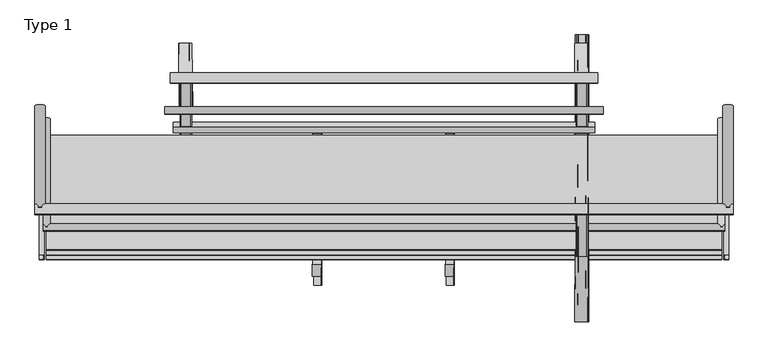
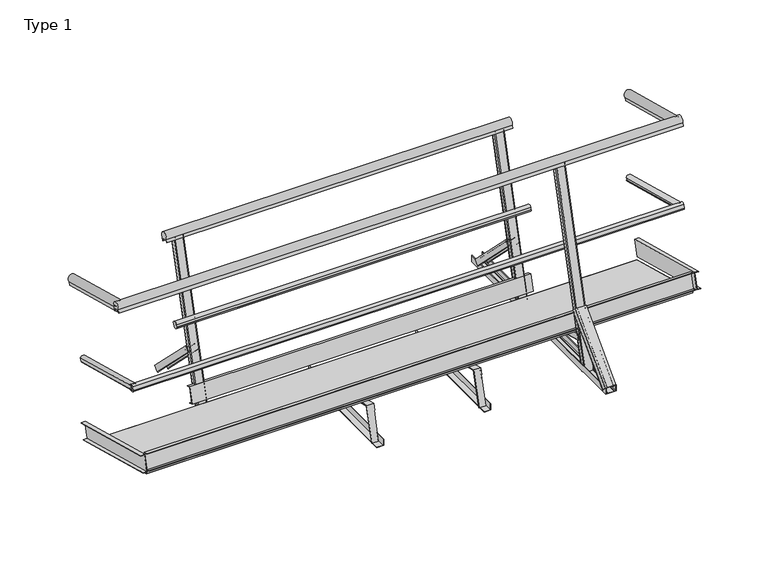
"""IFC4 building model written with IfcOpenShell, lengths in millimetres: proxy geometry, Type 1."""

from ifc_helpers import new_model, si_unit, point, frame, frame_2d, origin, place, context, project, spatial, polyline, circle_curve, ellipse_curve, trimmed, segment, composite_curve, outline, extrude, faceted_brep, source, transform, mapped, element, save
from ifc_brep_helpers import plane_surface, cylinder_surface, extruded_surface, advanced_brep


def type_1_c3b99982(model_context):
    return source(origin(), model_context, "Body", "SolidModel", [
        extrude(outline(composite_curve([segment(polyline([(7.3827269, -38.587505), (7.3827269, -34.587505), (-7.382727, -34.587505), (-7.382727, -38.587505)]), True, "CONTINUOUS"), segment(trimmed(circle_curve(frame_2d((0.0, -20.0)), 20.0), [point((-7.382727, -38.587505))], [point((-12.3740656, -4.287505))], False, "CARTESIAN"), True, "CONTINUOUS"), segment(polyline([(-12.3740656, -4.287505), (12.3740657, -4.287505)]), True, "CONTINUOUS"), segment(trimmed(circle_curve(frame_2d((0.0, -20.0)), 20.0), [point((12.3740657, -4.287505))], [point((7.3827269, -38.587505))], False, "CARTESIAN"), True, "CONTINUOUS")], self_intersect=False)), frame((3319.287505, 129.4547926, 531.6143161), z_axis=(0.0, -0.9659258262890705, 0.2588190451025124), x_axis=(0.0, -0.2588190451025124, -0.9659258262890705)), (0.0, 0.0, 1.0), 550.0),
        extrude(outline(composite_curve([segment(trimmed(circle_curve(frame_2d((0.0, -20.0)), 20.0), [point((-7.3827269, -38.587505))], [point((-12.3740657, -4.287505))], False, "CARTESIAN"), True, "CONTINUOUS"), segment(polyline([(-12.3740657, -4.287505), (12.3740656, -4.287505)]), True, "CONTINUOUS"), segment(trimmed(circle_curve(frame_2d((0.0, -20.0)), 20.0), [point((12.3740656, -4.287505))], [point((7.382727, -38.587505))], False, "CARTESIAN"), True, "CONTINUOUS"), segment(polyline([(7.382727, -38.587505), (7.382727, -34.587505), (-7.3827269, -34.587505), (-7.3827269, -38.587505)]), True, "CONTINUOUS")], self_intersect=False)), frame((-19.287505, 129.4547926, 531.6143161), z_axis=(0.0, -0.9659258262890705, 0.2588190451025124), x_axis=(0.0, 0.2588190451025124, 0.9659258262890705)), (0.0, 0.0, 1.0), 550.0),
        extrude(outline(composite_curve([segment(polyline([(-11.4353401, 0.0), (6.9999999, 0.0), (6.9999999, -1.0), (-8.0000001, -1.0), (-8.0000001, -41.0), (6.9999999, -41.0), (6.9999999, -42.0), (-11.4353401, -42.0)]), True, "CONTINUOUS"), segment(trimmed(circle_curve(frame_2d((-25.0, -21.0)), 25.0), [point((-11.4353401, -42.0))], [point((-11.4353401, 0.0))], False, "CARTESIAN"), True, "CONTINUOUS")], self_intersect=False)), frame((3351.0, 186.5217212, 994.620874), z_axis=(0.0, -0.9659258262890705, 0.2588190451025124), x_axis=(0.0, -0.2588190451025124, -0.9659258262890705)), (0.0, 0.0, 1.0), 520.0),
        extrude(outline(composite_curve([segment(polyline([(-11.4353401, 0.0), (6.9999999, 0.0), (6.9999999, -1.0), (-8.0000001, -1.0), (-8.0000001, -41.0), (6.9999999, -41.0), (6.9999999, -42.0), (-11.4353401, -42.0)]), True, "CONTINUOUS"), segment(trimmed(circle_curve(frame_2d((-25.0, -21.0)), 25.0), [point((-11.4353401, -42.0))], [point((-11.4353401, 0.0))], False, "CARTESIAN"), True, "CONTINUOUS")], self_intersect=False)), frame((-9.0, 186.5217212, 994.620874), z_axis=(0.0, -0.9659258262890705, 0.2588190451025124), x_axis=(0.0, -0.2588190451025124, -0.9659258262890705)), (0.0, 0.0, 1.0), 520.0),
        extrude(outline(polyline([(-25.0, 0.0), (0.0, 0.0), (0.0, -100.0), (-25.0, -100.0), (-25.0, -97.0), (-3.0, -97.0), (-3.0, -3.0), (-25.0, -3.0), (-25.0, 0.0)])), frame((3309.5, 66.4398873, 63.9898567), z_axis=(0.0, -0.9659258262890701, 0.2588190451025139), x_axis=(-1.0, 0.0, 0.0)), (0.0, 0.0, 1.0), 647.8748866),
        extrude(outline(polyline([(25.0, 0.0), (25.0, -3.0), (3.0, -3.0), (3.0, -97.0), (25.0, -97.0), (25.0, -100.0), (0.0, -100.0), (0.0, 0.0), (25.0, 0.0)])), frame((-9.5, 66.4398873, 63.9898567), z_axis=(0.0, -0.9659258262890701, 0.258819045102514), x_axis=(-1.0, 0.0, 0.0)), (0.0, 0.0, 1.0), 647.8748866),
        extrude(outline(polyline([(112.7270844, 155.1148576), (111.9506273, 152.2170802), (90.7002591, 157.9110992), (66.3712689, 67.1140715), (87.621637, 61.4200525), (86.8451799, 58.522275), (62.6970343, 64.9927511), (88.5789388, 161.5853338), (112.7270844, 155.1148576)])), frame((620.0, 0.0, 0.0), z_axis=(1.0, 0.0, 0.0), x_axis=(0.0, 1.0, 0.0)), (0.0, 0.0, 1.0), 2060.0),
        extrude(outline(composite_curve([segment(polyline([(151.6800786, 518.0159073), (155.543782, 516.9806311), (159.3653627, 531.2429644), (155.5016593, 532.2782406)]), True, "CONTINUOUS"), segment(trimmed(circle_curve(frame_2d((171.5450201, 520.3362737)), 20.0), [point((155.5016593, 532.2782406))], [point((189.9247687, 528.2220103))], False, "CARTESIAN"), True, "CONTINUOUS"), segment(polyline([(189.9247687, 528.2220103), (183.519481, 504.3171511)]), True, "CONTINUOUS"), segment(trimmed(circle_curve(frame_2d((171.5450201, 520.3362737)), 20.0), [point((183.519481, 504.3171511))], [point((151.6800786, 518.0159073))], False, "CARTESIAN"), True, "CONTINUOUS")], self_intersect=False)), frame((580.0, 0.0, 0.0), z_axis=(1.0, 0.0, 0.0), x_axis=(0.0, 1.0, 0.0)), (0.0, 0.0, 1.0), 2140.0),
        extrude(outline(composite_curve([segment(trimmed(circle_curve(frame_2d((331.1195905, 981.7578963)), 25.0), [point((307.3243558, 974.0906408))], [point((347.8932405, 963.2202409))], False, "CARTESIAN"), True, "CONTINUOUS"), segment(polyline([(347.8932405, 963.2202409), (343.1218234, 945.4130699), (342.1558976, 945.6718889), (346.0381833, 960.1607763), (307.4011502, 970.5135381), (303.5188645, 956.0246507), (302.5529387, 956.2834698), (307.3243558, 974.0906408)]), True, "CONTINUOUS")], self_intersect=False)), frame((605.0, 0.0, 0.0), z_axis=(1.0, 0.0, 0.0), x_axis=(0.0, 1.0, 0.0)), (0.0, 0.0, 1.0), 2090.0),
        extrude(outline(polyline([(3298.0, 0.0), (3298.0, -598.0), (0.0, -598.0), (0.0, 0.0), (3298.0, 0.0)])), frame((1.0, 46.601975, 45.4940571), z_axis=(0.0, 0.258819045102514, 0.9659258262890701), x_axis=(1.0, 0.0, 0.0)), (0.0, 0.0, 1.0), 13.0),
        extrude(outline(polyline([(3300.0, 0.0), (3300.0, -600.0), (0.0, -600.0), (0.0, 0.0), (3300.0, 0.0)]), holes=[polyline([(3299.0, -1.0000001), (1.0, -1.0000001), (1.0, -599.0), (3299.0, -599.0), (3299.0, -1.0000001)])]), frame((0.0, 47.5679009, 45.2352381), z_axis=(0.0, 0.258819045102514, 0.9659258262890701), x_axis=(1.0, 0.0, 0.0)), (0.0, 0.0, 1.0), 13.0),
        extrude(outline(polyline([(-559.3591979, 231.6722162), (-558.5827407, 234.5699937), (-537.3323726, 228.8759747), (-513.0033823, 319.6730023), (-534.2537505, 325.3670213), (-533.4772934, 328.2647988), (-509.3291477, 321.7943227), (-535.2110522, 225.2017401), (-559.3591979, 231.6722162)])), frame((0.0, 0.0, 0.0), z_axis=(1.0, 0.0, 0.0), x_axis=(0.0, 1.0, 0.0)), (0.0, 0.0, 1.0), 3300.0),
        extrude(outline(composite_curve([segment(trimmed(circle_curve(frame_2d((-401.8044119, 673.9647909)), 20.0), [point((-385.7610511, 662.022824))], [point((-420.1841605, 666.0790543))], False, "CARTESIAN"), True, "CONTINUOUS"), segment(polyline([(-420.1841605, 666.0790543), (-413.7788727, 689.9839135)]), True, "CONTINUOUS"), segment(trimmed(circle_curve(frame_2d((-401.8044119, 673.9647909)), 20.0), [point((-413.7788727, 689.9839135))], [point((-381.9394704, 676.2851573))], False, "CARTESIAN"), True, "CONTINUOUS"), segment(polyline([(-381.9394704, 676.2851573), (-385.8031737, 677.3204335), (-389.6247544, 663.0581002), (-385.7610511, 662.022824)]), True, "CONTINUOUS")], self_intersect=False)), frame((-15.0, 0.0, 0.0), z_axis=(1.0, 0.0, 0.0), x_axis=(0.0, 1.0, 0.0)), (0.0, 0.0, 1.0), 3330.0),
        extrude(outline(composite_curve([segment(trimmed(circle_curve(frame_2d((-309.2892323, 1153.3549232)), 25.0), [point((-333.084467, 1145.6876677))], [point((-292.5155823, 1134.8172678))], False, "CARTESIAN"), True, "CONTINUOUS"), segment(polyline([(-292.5155823, 1134.8172678), (-297.2869994, 1117.0100968), (-298.2529252, 1117.2689158), (-294.3706396, 1131.7578032), (-333.0076726, 1142.110565), (-336.8899583, 1127.6216776), (-337.8558841, 1127.8804967), (-333.084467, 1145.6876677)]), True, "CONTINUOUS")], self_intersect=False)), frame((-55.0, 0.0, 0.0), z_axis=(1.0, 0.0, 0.0), x_axis=(0.0, 1.0, 0.0)), (0.0, 0.0, 1.0), 3410.0),
        faceted_brep([(1991.0, 57.1060753, 40.0), (1991.0, 46.7533135, 1.362967), (1988.0, 46.7533135, 1.362967), (1988.0, 56.3296182, 37.1022225), (1951.0, 56.3296182, 37.1022225), (1951.0, 57.1060753, 40.0), (1951.0, -581.1814272, 207.9227923), (1951.0, -580.40497, 210.8205698), (1988.0, -545.4421716, 198.3464876), (1985.0, -545.4421716, 198.3464876), (1985.0, -581.1814272, 207.9227923), (1988.0, -555.0184763, 162.6072321), (1991.0, -593.6555093, 172.9599939), (1988.0, -593.6555093, 172.9599939), (1991.0, -583.3027475, 211.5970269), (1948.0, -636.3137873, 2.1660232), (1948.0, -639.2115648, 2.9424804), (1948.0, -583.3027475, 211.5970269), (1948.0, -580.40497, 210.8205698), (1985.0, -636.3137873, 2.1660232), (1985.0, -600.5745317, -7.4102814), (1988.0, -600.5745317, -7.4102814), (1988.0, -639.2115648, 2.9424804)], [[[0, 1, 2, 3, 4, 5]], [[5, 4, 6, 7]], [[4, 3, 8, 9, 10, 6]], [[3, 2, 11, 8]], [[12, 13, 11, 2, 1]], [[14, 12, 1, 0]], [[15, 16, 17, 18]], [[19, 15, 18, 7, 6, 10]], [[20, 19, 10, 9]], [[21, 20, 9, 8, 11]], [[22, 21, 11, 13]], [[13, 12, 14, 17, 16, 22]], [[0, 5, 7, 18, 17, 14]], [[16, 15, 19, 20, 21, 22]]]),
        extrude(outline(polyline([(0.0, 1994.0), (40.0, 1994.0), (40.0, 1991.0), (3.0, 1991.0), (3.0, 1954.0), (0.0, 1954.0), (0.0, 1994.0)])), frame((0.0, -682.0, 0.0), z_axis=(0.0, 1.0, 0.0), x_axis=(0.0, 0.0, 1.0)), (0.0, 0.0, 1.0), 780.0),
        faceted_brep([(1343.0, 57.1060753, 40.0), (1343.0, 46.7533135, 1.362967), (1340.0, 46.7533135, 1.362967), (1340.0, 56.3296182, 37.1022225), (1303.0, 56.3296182, 37.1022225), (1303.0, 57.1060753, 40.0), (1303.0, -581.1814272, 207.9227923), (1303.0, -580.40497, 210.8205698), (1340.0, -545.4421716, 198.3464876), (1337.0, -545.4421716, 198.3464876), (1337.0, -581.1814272, 207.9227923), (1340.0, -555.0184763, 162.6072321), (1343.0, -593.6555093, 172.9599939), (1340.0, -593.6555093, 172.9599939), (1343.0, -583.3027475, 211.5970269), (1300.0, -636.3137873, 2.1660232), (1300.0, -639.2115648, 2.9424804), (1300.0, -583.3027475, 211.5970269), (1300.0, -580.40497, 210.8205698), (1337.0, -636.3137873, 2.1660232), (1337.0, -600.5745317, -7.4102814), (1340.0, -600.5745317, -7.4102814), (1340.0, -639.2115648, 2.9424804)], [[[0, 1, 2, 3, 4, 5]], [[5, 4, 6, 7]], [[4, 3, 8, 9, 10, 6]], [[3, 2, 11, 8]], [[12, 13, 11, 2, 1]], [[14, 12, 1, 0]], [[15, 16, 17, 18]], [[19, 15, 18, 7, 6, 10]], [[20, 19, 10, 9]], [[21, 20, 9, 8, 11]], [[22, 21, 11, 13]], [[13, 12, 14, 17, 16, 22]], [[0, 5, 7, 18, 17, 14]], [[16, 15, 19, 20, 21, 22]]]),
        extrude(outline(polyline([(0.0, 1346.0), (40.0, 1346.0), (40.0, 1343.0), (3.0, 1343.0), (3.0, 1306.0), (0.0, 1306.0), (0.0, 1346.0)])), frame((0.0, -682.0, 0.0), z_axis=(0.0, 1.0, 0.0), x_axis=(0.0, 0.0, 1.0)), (0.0, 0.0, 1.0), 780.0),
        advanced_brep(
        [(2582.0, 499.3696343, 40.0), (2647.0, 499.3696343, 40.0), (2647.0, 473.5602367, 14.1906025), (2644.0, 473.5602367, 14.1906025), (2644.0, 497.2483139, 37.8786797), (2634.0, 497.2483139, 37.8786797), (2634.0, 495.480547, 36.1109127), (2633.0, 495.480547, 36.1109127), (2633.0, 497.2483139, 37.8786797), (2596.0, 497.2483139, 37.8786797), (2596.0, 495.480547, 36.1109127), (2595.0, 495.480547, 36.1109127), (2595.0, 497.2483139, 37.8786797), (2585.0, 497.2483139, 37.8786797), (2585.0, 473.5602367, 14.1906025), (2582.0, 473.5602367, 14.1906025), (2585.0, 183.1715827, 356.1980516), (2585.0, 157.3621852, 330.3886541), (2588.0, 157.3621852, 330.3886541), (2588.0, 181.0502624, 354.0767312), (2598.0, 181.0502624, 354.0767312), (2598.0, 179.2824954, 352.3089643), (2599.0, 179.2824954, 352.3089643), (2599.0, 181.0502624, 354.0767312), (2636.0, 181.0502624, 354.0767312), (2636.0, 179.2824954, 352.3089643), (2637.0, 179.2824954, 352.3089643), (2637.0, 181.0502624, 354.0767312), (2647.0, 181.0502624, 354.0767312), (2647.0, 157.3621852, 330.3886541), (2650.0, 157.3621852, 330.3886541), (2650.0, 183.1715827, 356.1980516)],
        [
            (0, 1),
            (1, 2),
            (2, 3, circle_curve(frame((2645.5, 473.5602367, 14.1906025), z_axis=(0.0, 0.707106781186551, -0.7071067811865441), x_axis=(0.0, 0.7071067811865441, 0.707106781186551)), 1.5)),
            (3, 4),
            (4, 5),
            (5, 6),
            (6, 7, circle_curve(frame((2633.5, 495.480547, 36.1109127), z_axis=(0.0, 0.707106781186551, -0.7071067811865441), x_axis=(0.0, 0.7071067811865441, 0.707106781186551)), 0.5)),
            (7, 8),
            (8, 9),
            (9, 10),
            (10, 11, circle_curve(frame((2595.5, 495.480547, 36.1109127), z_axis=(0.0, 0.707106781186551, -0.7071067811865441), x_axis=(0.0, 0.7071067811865441, 0.707106781186551)), 0.5)),
            (11, 12),
            (12, 13),
            (13, 14),
            (14, 15, circle_curve(frame((2583.5, 473.5602367, 14.1906025), z_axis=(0.0, 0.707106781186551, -0.7071067811865441), x_axis=(0.0, 0.7071067811865441, 0.707106781186551)), 1.5)),
            (15, 0),
            (16, 17),
            (17, 18, circle_curve(frame((2586.5, 157.3621852, 330.3886541), z_axis=(0.0, -0.707106781186551, 0.7071067811865441), x_axis=(0.0, 0.7071067811865441, 0.707106781186551)), 1.5)),
            (18, 19),
            (19, 20),
            (20, 21),
            (21, 22, circle_curve(frame((2598.5, 179.2824954, 352.3089643), z_axis=(0.0, -0.707106781186551, 0.7071067811865441), x_axis=(0.0, 0.7071067811865441, 0.707106781186551)), 0.5)),
            (22, 23),
            (23, 24),
            (24, 25),
            (25, 26, circle_curve(frame((2636.5, 179.2824954, 352.3089643), z_axis=(0.0, -0.707106781186551, 0.7071067811865441), x_axis=(0.0, 0.7071067811865441, 0.707106781186551)), 0.5)),
            (26, 27),
            (27, 28),
            (28, 29),
            (29, 30, circle_curve(frame((2648.5, 157.3621852, 330.3886541), z_axis=(0.0, -0.707106781186551, 0.7071067811865441), x_axis=(0.0, 0.7071067811865441, 0.707106781186551)), 1.5)),
            (30, 31),
            (31, 16),
            (31, 1),
            (0, 16),
            (30, 2),
            (29, 3),
            (28, 4),
            (27, 5),
            (26, 6),
            (25, 7),
            (24, 8),
            (23, 9),
            (22, 10),
            (21, 11),
            (20, 12),
            (19, 13),
            (18, 14),
            (17, 15),
        ],
        [
            plane_surface(frame((2614.5, 491.1495179, 31.7798837), z_axis=(0.0, 0.707106781186551, -0.707106781186544), x_axis=(1.0, 0.0, 0.0))),
            plane_surface(frame((2617.5, 174.9514664, 347.9779352), z_axis=(0.0, -0.7071067811865515, 0.7071067811865437), x_axis=(1.0, 0.0, 0.0))),
            plane_surface(frame((2617.5, 183.1715827, 356.1980516), z_axis=(0.0, 0.7071067811865436, 0.7071067811865516), x_axis=(1.0, 0.0, 0.0))),
            plane_surface(frame((2650.0, 170.266884, 343.2933528), z_axis=(0.999977496530591, 0.004743755496023021, -0.004743755496022849), x_axis=(0.0, -0.707106781186544, -0.707106781186551))),
            extruded_surface(trimmed(circle_curve(frame((2648.5, 157.3621852, 330.3886541), z_axis=(0.0, 0.707106781186551, -0.7071067811865441), x_axis=(0.0, 0.7071067811865441, 0.707106781186551)), 1.5), [point((2650.0, 157.3621852, 330.3886541))], [point((2647.0, 157.3621852, 330.3886541))], True, "CARTESIAN"), (-3.0, 316.1980515, -316.1980516), 447.18163603622287),
            plane_surface(frame((2647.0, 169.2062238, 342.2326926), z_axis=(-0.999977496530591, -0.004743755496023022, 0.004743755496022849), x_axis=(0.0, 0.707106781186544, 0.7071067811865511))),
            plane_surface(frame((2642.0, 181.0502624, 354.0767312), z_axis=(0.0, -0.7071067811865436, -0.7071067811865515), x_axis=(-1.0, 0.0, 0.0))),
            plane_surface(frame((2637.0, 180.1663789, 353.1928478), z_axis=(0.999977496530591, 0.004743755496023036, -0.0047437554960228345), x_axis=(0.0, -0.7071067811865419, -0.7071067811865532))),
            extruded_surface(trimmed(circle_curve(frame((2636.5, 179.2824954, 352.3089643), z_axis=(0.0, 0.707106781186551, -0.7071067811865441), x_axis=(0.0, 0.7071067811865441, 0.707106781186551)), 0.5), [point((2637.0, 179.2824954, 352.3089643))], [point((2636.0, 179.2824954, 352.3089643))], True, "CARTESIAN"), (-3.0, 316.1980516, -316.1980516), 447.18163610693193),
            plane_surface(frame((2636.0, 180.1663789, 353.1928478), z_axis=(-0.999977496530591, -0.004743755496023008, 0.004743755496022864), x_axis=(0.0, 0.7071067811865461, 0.7071067811865489))),
            plane_surface(frame((2617.5, 181.0502624, 354.0767312), z_axis=(0.0, -0.7071067811865436, -0.7071067811865515), x_axis=(-1.0, 0.0, 0.0))),
            plane_surface(frame((2599.0, 180.1663789, 353.1928478), z_axis=(0.999977496530591, 0.004743755496023013, -0.00474375549602287), x_axis=(0.0, -0.7071067811865461, -0.7071067811865489))),
            extruded_surface(trimmed(circle_curve(frame((2598.5, 179.2824954, 352.3089643), z_axis=(0.0, 0.707106781186551, -0.7071067811865441), x_axis=(0.0, 0.7071067811865441, 0.707106781186551)), 0.5), [point((2599.0, 179.2824954, 352.3089643))], [point((2598.0, 179.2824954, 352.3089643))], True, "CARTESIAN"), (-3.0, 316.1980516, -316.1980516), 447.18163610693193),
            plane_surface(frame((2598.0, 180.1663789, 353.1928478), z_axis=(-0.999977496530591, -0.004743755496023013, 0.00474375549602287), x_axis=(0.0, 0.7071067811865461, 0.7071067811865489))),
            plane_surface(frame((2593.0, 181.0502624, 354.0767312), z_axis=(0.0, -0.7071067811865436, -0.7071067811865515), x_axis=(-1.0, 0.0, 0.0))),
            plane_surface(frame((2588.0, 169.2062238, 342.2326926), z_axis=(0.999977496530591, 0.004743755496023028, -0.004743755496022855), x_axis=(0.0, -0.707106781186544, -0.7071067811865511))),
            extruded_surface(trimmed(circle_curve(frame((2586.5, 157.3621852, 330.3886541), z_axis=(0.0, 0.707106781186551, -0.7071067811865441), x_axis=(0.0, 0.7071067811865441, 0.707106781186551)), 1.5), [point((2588.0, 157.3621852, 330.3886541))], [point((2585.0, 157.3621852, 330.3886541))], True, "CARTESIAN"), (-3.0, 316.1980515, -316.1980516), 447.18163603622287),
            plane_surface(frame((2585.0, 170.266884, 343.2933528), z_axis=(-0.999977496530591, -0.004743755496023042, 0.00474375549602287), x_axis=(0.0, 0.707106781186544, 0.707106781186551))),
        ],
        [
            (0, [[1, 2, 3, 4, 5, 6, 7, 8, 9, 10, 11, 12, 13, 14, 15, 16]]),
            (1, [[17, 18, 19, 20, 21, 22, 23, 24, 25, 26, 27, 28, 29, 30, 31, 32]]),
            (2, [[-32, 33, -1, 34]]),
            (3, [[-31, 35, -2, -33]]),
            (4, [[-30, 36, -3, -35]]),
            (5, [[-29, 37, -4, -36]]),
            (6, [[-28, 38, -5, -37]]),
            (7, [[-27, 39, -6, -38]]),
            (8, [[-26, 40, -7, -39]]),
            (9, [[-25, 41, -8, -40]]),
            (10, [[-24, 42, -9, -41]]),
            (11, [[-23, 43, -10, -42]]),
            (12, [[-22, 44, -11, -43]]),
            (13, [[-21, 45, -12, -44]]),
            (14, [[-20, 46, -13, -45]]),
            (15, [[-19, 47, -14, -46]]),
            (16, [[-18, 48, -15, -47]]),
            (17, [[-17, -34, -16, -48]]),
        ],
    ),
        extrude(outline(composite_curve([segment(trimmed(circle_curve(frame_2d((23.0, 33.0)), 5.0), [point((23.0, 38.0))], [point((28.0, 33.0))], False, "CARTESIAN"), True, "CONTINUOUS"), segment(polyline([(28.0, 33.0), (28.0, 5.0)]), True, "CONTINUOUS"), segment(trimmed(circle_curve(frame_2d((23.0, 5.0)), 5.0), [point((28.0, 5.0))], [point((23.0, 0.0))], False, "CARTESIAN"), True, "CONTINUOUS"), segment(polyline([(23.0, 0.0), (-23.0, 0.0)]), True, "CONTINUOUS"), segment(trimmed(circle_curve(frame_2d((-23.0, 5.0)), 5.0), [point((-23.0, 0.0))], [point((-28.0, 5.0))], False, "CARTESIAN"), True, "CONTINUOUS"), segment(polyline([(-28.0, 5.0), (-28.0, 33.0)]), True, "CONTINUOUS"), segment(trimmed(circle_curve(frame_2d((-23.0, 33.0)), 5.0), [point((-28.0, 33.0))], [point((-23.0, 38.0))], False, "CARTESIAN"), True, "CONTINUOUS"), segment(polyline([(-23.0, 38.0), (23.0, 38.0)]), True, "CONTINUOUS")], self_intersect=False)), frame((2617.5, 48.3881076, 0.0), z_axis=(0.0, 0.25881904510251236, 0.9659258262890706), x_axis=(1.0, 0.0, 0.0)), (0.0, 0.0, 1.0), 1003.0),
        advanced_brep(
        [(2640.5, -601.2948186, -9.8351237), (2645.5, -606.1244477, -8.5410284), (2645.5, -633.1703709, -1.2940952), (2640.5, -638.0, 0.0), (2594.5, -638.0, 0.0), (2589.5, -633.1703709, -1.2940952), (2589.5, -606.1244477, -8.5410284), (2594.5, -601.2948186, -9.8351237), (2640.5, -295.7200316, 1130.585507), (2594.5, -295.7200316, 1130.585507), (2589.5, -300.5496607, 1131.8796022), (2589.5, -327.5955838, 1139.1265355), (2594.5, -332.425213, 1140.4206307), (2640.5, -332.425213, 1140.4206307), (2645.5, -327.5955838, 1139.1265355), (2645.5, -300.5496607, 1131.8796022), (2640.5, -545.3570558, 198.9274491), (2645.5, -550.1866849, 200.2215444), (2645.5, -549.4271953, 203.0559985), (2640.5, -544.5975661, 201.7619032), (2645.5, -563.7096465, 203.845011), (2645.5, -562.9501568, 206.6794651), (2589.5, -549.4271953, 203.0559985), (2589.5, -562.9501568, 206.6794651), (2589.5, -563.7096465, 203.845011), (2589.5, -550.1866849, 200.2215444), (2594.5, -545.3570558, 198.9274491), (2594.5, -544.5975661, 201.7619032), (2597.9114907, -545.3570558, 198.9274491), (2597.9114907, -545.9899639, 196.5654041), (2598.9114907, -545.9899639, 196.5654041), (2598.9114907, -545.3570558, 198.9274491), (2635.9114907, -545.3570558, 198.9274491), (2635.9114907, -545.9899639, 196.5654041), (2636.9114907, -545.9899639, 196.5654041), (2636.9114907, -545.3570558, 198.9274491), (2650.0, -572.1906146, 172.193607), (2650.0, -562.9501568, 206.6794651), (2647.0, -563.7096465, 203.845011), (2647.0, -572.1906146, 172.193607), (2585.0, -562.9501568, 206.6794651), (2585.0, -572.1906146, 172.193607), (2588.0, -572.1906146, 172.193607), (2588.0, -563.7096465, 203.845011), (2647.0, 49.8656175, 5.514142), (2644.0, 49.8656175, 5.514142), (2644.0, 58.3465856, 37.165546), (2634.0, 58.3465856, 37.165546), (2634.0, 57.7136776, 34.8035009), (2633.0, 57.7136776, 34.8035009), (2633.0, 58.3465856, 37.165546), (2596.0, 58.3465856, 37.165546), (2596.0, 57.7136776, 34.8035009), (2595.0, 57.7136776, 34.8035009), (2595.0, 58.3465856, 37.165546), (2585.0, 58.3465856, 37.165546), (2585.0, 49.8656175, 5.514142), (2582.0, 49.8656175, 5.514142), (2582.0, 59.1060753, 40.0), (2647.0, 59.1060753, 40.0)],
        [
            (0, 1, circle_curve(frame((2640.5, -606.1244477, -8.5410284), z_axis=(0.0, -0.25881904510251247, -0.9659258262890706), x_axis=(0.0, -0.9659258262890706, 0.25881904510251247)), 5.0)),
            (1, 2),
            (2, 3, circle_curve(frame((2640.5, -633.1703709, -1.2940952), z_axis=(0.0, -0.25881904510251247, -0.9659258262890706), x_axis=(0.0, -0.9659258262890706, 0.25881904510251247)), 5.0)),
            (3, 4),
            (4, 5, circle_curve(frame((2594.5, -633.1703709, -1.2940952), z_axis=(0.0, -0.25881904510251247, -0.9659258262890706), x_axis=(0.0, -0.9659258262890706, 0.25881904510251247)), 5.0)),
            (5, 6),
            (6, 7, circle_curve(frame((2594.5, -606.1244477, -8.5410284), z_axis=(0.0, -0.25881904510251247, -0.9659258262890706), x_axis=(0.0, -0.9659258262890706, 0.25881904510251247)), 5.0)),
            (7, 0),
            (8, 9),
            (9, 10, circle_curve(frame((2594.5, -300.5496607, 1131.8796022), z_axis=(0.0, 0.25881904510251247, 0.9659258262890706), x_axis=(0.0, -0.9659258262890706, 0.25881904510251247)), 5.0)),
            (10, 11),
            (11, 12, circle_curve(frame((2594.5, -327.5955838, 1139.1265355), z_axis=(0.0, 0.25881904510251247, 0.9659258262890706), x_axis=(0.0, -0.9659258262890706, 0.25881904510251247)), 5.0)),
            (12, 13),
            (13, 14, circle_curve(frame((2640.5, -327.5955838, 1139.1265355), z_axis=(0.0, 0.25881904510251247, 0.9659258262890706), x_axis=(0.0, -0.9659258262890706, 0.25881904510251247)), 5.0)),
            (14, 15),
            (15, 8, circle_curve(frame((2640.5, -300.5496607, 1131.8796022), z_axis=(0.0, 0.25881904510251247, 0.9659258262890706), x_axis=(0.0, -0.9659258262890706, 0.25881904510251247)), 5.0)),
            (0, 16),
            (16, 17, circle_curve(frame((2640.5, -550.1866849, 200.2215444), z_axis=(0.0, -0.25881904510251247, -0.9659258262890706), x_axis=(0.0, -0.9659258262890706, 0.25881904510251247)), 5.0)),
            (17, 1),
            (15, 18),
            (18, 19, circle_curve(frame((2640.5, -549.4271953, 203.0559985), z_axis=(0.0, 0.25881904510251247, 0.9659258262890706), x_axis=(0.0, -0.9659258262890706, 0.25881904510251247)), 5.0)),
            (19, 8),
            (17, 20),
            (20, 21),
            (21, 18),
            (14, 2),
            (13, 3),
            (12, 4),
            (11, 5),
            (10, 22),
            (22, 23),
            (23, 24),
            (24, 25),
            (25, 6),
            (25, 26, circle_curve(frame((2594.5, -550.1866849, 200.2215444), z_axis=(0.0, -0.25881904510251247, -0.9659258262890706), x_axis=(0.0, -0.9659258262890706, 0.25881904510251247)), 5.0)),
            (26, 7),
            (9, 27),
            (27, 22, circle_curve(frame((2594.5, -549.4271953, 203.0559985), z_axis=(0.0, 0.25881904510251247, 0.9659258262890706), x_axis=(0.0, -0.9659258262890706, 0.25881904510251247)), 5.0)),
            (26, 28),
            (28, 29),
            (29, 30, ellipse_curve(frame((2598.4114907, -545.9899639, 196.5654041), z_axis=(0.0, -0.9659258262890701, 0.25881904510251424), x_axis=(-1.0, 0.0, 0.0)), 0.5, 0.4890738)),
            (30, 31),
            (31, 32),
            (32, 33),
            (33, 34, ellipse_curve(frame((2636.4114907, -545.9899639, 196.5654041), z_axis=(0.0, -0.9659258262890701, 0.25881904510251424), x_axis=(-1.0, 0.0, 0.0)), 0.5, 0.4890738)),
            (34, 35),
            (35, 16),
            (19, 27),
            (36, 37),
            (37, 21),
            (20, 38),
            (38, 39),
            (39, 36, ellipse_curve(frame((2648.5, -572.1906146, 172.193607), z_axis=(0.0, -0.9659258262890701, 0.25881904510251424), x_axis=(-1.0, 0.0, 0.0)), 1.5, 1.4672214)),
            (40, 41),
            (41, 42, ellipse_curve(frame((2586.5, -572.1906146, 172.193607), z_axis=(0.0, -0.9659258262890701, 0.25881904510251424), x_axis=(-1.0, 0.0, 0.0)), 1.5, 1.4672214)),
            (42, 43),
            (43, 24),
            (23, 40),
            (44, 45, ellipse_curve(frame((2645.5, 49.8656175, 5.514142), z_axis=(0.0, 0.9659258262890701, -0.25881904510251424), x_axis=(-1.0, 0.0, 0.0)), 1.5, 1.4672214)),
            (45, 46),
            (46, 47),
            (47, 48),
            (48, 49, ellipse_curve(frame((2633.5, 57.7136776, 34.8035009), z_axis=(0.0, 0.9659258262890701, -0.25881904510251424), x_axis=(-1.0, 0.0, 0.0)), 0.5, 0.4890738)),
            (49, 50),
            (50, 51),
            (51, 52),
            (52, 53, ellipse_curve(frame((2595.5, 57.7136776, 34.8035009), z_axis=(0.0, 0.9659258262890701, -0.25881904510251424), x_axis=(-1.0, 0.0, 0.0)), 0.5, 0.4890738)),
            (53, 54),
            (54, 55),
            (55, 56),
            (56, 57, ellipse_curve(frame((2583.5, 49.8656175, 5.514142), z_axis=(0.0, 0.9659258262890701, -0.25881904510251424), x_axis=(-1.0, 0.0, 0.0)), 1.5, 1.4672214)),
            (57, 58),
            (58, 59),
            (59, 44),
            (36, 44),
            (59, 37),
            (58, 40),
            (57, 41),
            (56, 42),
            (55, 43),
            (54, 28),
            (53, 29),
            (52, 30),
            (51, 31),
            (50, 32),
            (49, 33),
            (48, 34),
            (47, 35),
            (46, 38),
            (45, 39),
        ],
        [
            plane_surface(frame((2617.5, -638.0, 0.0), z_axis=(0.0, -0.2588190451025124, -0.9659258262890706), x_axis=(1.0, 0.0, 0.0))),
            plane_surface(frame((2617.5, -332.425213, 1140.4206307), z_axis=(0.0, 0.2588190451025124, 0.9659258262890706), x_axis=(1.0, 0.0, 0.0))),
            cylinder_surface(frame((2640.5, -606.1244477, -8.5410284), z_axis=(0.0, -0.25881904510251247, -0.9659258262890706), x_axis=(0.0, -0.9659258262890706, 0.25881904510251247)), 5.0),
            plane_surface(frame((2645.5, -606.1244477, -8.5410284), z_axis=(1.0000000000000002, 0.0, 0.0), x_axis=(0.0, 0.25881904510251247, 0.9659258262890706))),
            cylinder_surface(frame((2640.5, -633.1703709, -1.2940952), z_axis=(0.0, -0.25881904510251247, -0.9659258262890706), x_axis=(0.0, -0.9659258262890706, 0.25881904510251247)), 5.0),
            plane_surface(frame((2640.5, -638.0, 0.0), z_axis=(0.0, -0.9659258262890706, 0.25881904510251247), x_axis=(0.0, 0.25881904510251247, 0.9659258262890706))),
            cylinder_surface(frame((2594.5, -633.1703709, -1.2940952), z_axis=(0.0, -0.25881904510251247, -0.9659258262890706), x_axis=(0.0, -0.9659258262890706, 0.25881904510251247)), 5.0),
            plane_surface(frame((2589.5, -633.1703709, -1.2940952), z_axis=(-1.0000000000000002, 0.0, 0.0), x_axis=(0.0, 0.25881904510251247, 0.9659258262890705))),
            cylinder_surface(frame((2594.5, -606.1244477, -8.5410284), z_axis=(0.0, -0.25881904510251247, -0.9659258262890706), x_axis=(0.0, -0.9659258262890706, 0.25881904510251247)), 5.0),
            plane_surface(frame((2594.5, -601.2948186, -9.8351237), z_axis=(0.0, 0.9659258262890706, -0.25881904510251247), x_axis=(0.0, 0.25881904510251247, 0.9659258262890706))),
            plane_surface(frame((2617.5, -565.8931793, 195.6959555), z_axis=(0.0, -0.9659258262890701, 0.25881904510251436), x_axis=(0.0, 0.25881904510251436, 0.9659258262890701))),
            plane_surface(frame((2614.5, 56.1630528, 29.0164905), z_axis=(0.0, 0.9659258262890702, -0.2588190451025139), x_axis=(0.0, 0.2588190451025139, 0.9659258262890702))),
            plane_surface(frame((2647.0, 54.4858464, 22.757071), z_axis=(0.9999891499007516, 0.004499605648593148, -0.0012056656997988958), x_axis=(0.0, 0.25881904510251436, 0.9659258262890701))),
            plane_surface(frame((2614.5, 59.1060753, 40.0), z_axis=(0.0, 0.25881904510251436, 0.9659258262890701), x_axis=(-1.0, 0.0, 0.0))),
            plane_surface(frame((2582.0, 54.4858464, 22.757071), z_axis=(-0.9999891499007516, -0.004499605648593149, 0.001205665699798896), x_axis=(0.0, -0.25881904510251436, -0.9659258262890701))),
            extruded_surface(trimmed(ellipse_curve(frame((2583.5, 49.8656175, 5.514142), z_axis=(0.0, -0.9659258262890701, 0.25881904510251424), x_axis=(-1.0, 0.0, 0.0)), 1.5, 1.4672214), [point((2582.0, 49.8656175, 5.514142))], [point((2585.0, 49.8656175, 5.514142))], True, "CARTESIAN"), (3.0, -622.0562321, 166.679465), 644.006987498688),
            plane_surface(frame((2585.0, 54.1061016, 21.339844), z_axis=(0.9999891499007516, 0.004499605648593147, -0.0012056656997988956), x_axis=(0.0, 0.25881904510251436, 0.9659258262890701))),
            plane_surface(frame((2590.0, 58.3465856, 37.165546), z_axis=(0.0, -0.2588190451025134, -0.9659258262890703), x_axis=(1.0, 0.0, 0.0))),
            plane_surface(frame((2595.0, 58.0301316, 35.9845234), z_axis=(-0.9999891499007514, -0.004499605648593146, 0.0012056656997988956), x_axis=(0.0, -0.2588190451025144, -0.96592582628907))),
            extruded_surface(trimmed(ellipse_curve(frame((2595.5, 57.7136776, 34.8035009), z_axis=(0.0, -0.9659258262890701, 0.25881904510251424), x_axis=(-1.0, 0.0, 0.0)), 0.5, 0.4890738), [point((2595.0, 57.7136776, 34.8035009))], [point((2596.0, 57.7136776, 34.8035009))], True, "CARTESIAN"), (3.0, -622.0562322, 166.679465), 644.0069875952795),
            plane_surface(frame((2596.0, 58.0301316, 35.9845234), z_axis=(0.9999891499007514, 0.004499605648593149, -0.0012056656997988964), x_axis=(0.0, 0.2588190451025144, 0.96592582628907))),
            plane_surface(frame((2614.5, 58.3465856, 37.165546), z_axis=(0.0, -0.25881904510251424, -0.9659258262890701), x_axis=(1.0, 0.0, 0.0))),
            plane_surface(frame((2633.0, 58.0301316, 35.9845234), z_axis=(-0.9999891499007514, -0.004499605648593145, 0.0012056656997988953), x_axis=(0.0, -0.2588190451025144, -0.96592582628907))),
            extruded_surface(trimmed(ellipse_curve(frame((2633.5, 57.7136776, 34.8035009), z_axis=(0.0, -0.9659258262890701, 0.25881904510251424), x_axis=(-1.0, 0.0, 0.0)), 0.5, 0.4890738), [point((2633.0, 57.7136776, 34.8035009))], [point((2634.0, 57.7136776, 34.8035009))], True, "CARTESIAN"), (3.0, -622.0562322, 166.679465), 644.0069875952795),
            plane_surface(frame((2634.0, 58.0301316, 35.9845234), z_axis=(0.9999891499007514, 0.0044996056485931395, -0.001205665699798894), x_axis=(0.0, 0.2588190451025144, 0.96592582628907))),
            plane_surface(frame((2639.0, 58.3465856, 37.165546), z_axis=(0.0, -0.2588190451025142, -0.9659258262890701), x_axis=(1.0, 0.0, 0.0))),
            plane_surface(frame((2644.0, 54.1061016, 21.339844), z_axis=(-0.9999891499007516, -0.004499605648593149, 0.001205665699798896), x_axis=(0.0, -0.25881904510251436, -0.9659258262890701))),
            extruded_surface(trimmed(ellipse_curve(frame((2645.5, 49.8656175, 5.514142), z_axis=(0.0, -0.9659258262890701, 0.25881904510251424), x_axis=(-1.0, 0.0, 0.0)), 1.5, 1.4672214), [point((2644.0, 49.8656175, 5.514142))], [point((2647.0, 49.8656175, 5.514142))], True, "CARTESIAN"), (3.0, -622.0562321, 166.679465), 644.006987498688),
        ],
        [
            (0, [[1, 2, 3, 4, 5, 6, 7, 8]]),
            (1, [[9, 10, 11, 12, 13, 14, 15, 16]]),
            (2, [[-1, 17, 18, 19]]),
            (2, [[-16, 20, 21, 22]]),
            (3, [[-2, -19, 23, 24, 25, -20, -15, 26]]),
            (4, [[-3, -26, -14, 27]]),
            (5, [[-4, -27, -13, 28]]),
            (6, [[-5, -28, -12, 29]]),
            (7, [[-6, -29, -11, 30, 31, 32, 33, 34]]),
            (8, [[-7, -34, 35, 36]]),
            (8, [[-10, 37, 38, -30]]),
            (9, [[-8, -36, 39, 40, 41, 42, 43, 44, 45, 46, 47, -17]]),
            (9, [[-9, -22, 48, -37]]),
            (10, [[49, 50, -24, 51, 52, 53]]),
            (10, [[54, 55, 56, 57, -32, 58]]),
            (11, [[59, 60, 61, 62, 63, 64, 65, 66, 67, 68, 69, 70, 71, 72, 73, 74]]),
            (12, [[-49, 75, -74, 76]]),
            (13, [[-73, 77, -58, -31, -38, -48, -21, -25, -50, -76]]),
            (14, [[-54, -77, -72, 78]]),
            (15, [[-55, -78, -71, 79]]),
            (16, [[-56, -79, -70, 80]]),
            (17, [[-69, 81, -39, -35, -33, -57, -80]]),
            (18, [[-68, 82, -40, -81]]),
            (19, [[-67, 83, -41, -82]]),
            (20, [[-66, 84, -42, -83]]),
            (21, [[-65, 85, -43, -84]]),
            (22, [[-64, 86, -44, -85]]),
            (23, [[-63, 87, -45, -86]]),
            (24, [[-62, 88, -46, -87]]),
            (25, [[-61, 89, -51, -23, -18, -47, -88]]),
            (26, [[-52, -89, -60, 90]]),
            (27, [[-53, -90, -59, -75]]),
        ],
    ),
        advanced_brep(
        [(2582.0, -860.226997, 40.0), (2582.0, -834.4175995, 14.1906025), (2585.0, -834.4175995, 14.1906025), (2585.0, -858.1056766, 37.8786797), (2595.0, -858.1056766, 37.8786797), (2595.0, -856.3379097, 36.1109127), (2596.0, -856.3379097, 36.1109127), (2596.0, -858.1056766, 37.8786797), (2633.0, -858.1056766, 37.8786797), (2633.0, -856.3379097, 36.1109127), (2634.0, -856.3379097, 36.1109127), (2634.0, -858.1056766, 37.8786797), (2644.0, -858.1056766, 37.8786797), (2644.0, -834.4175995, 14.1906025), (2647.0, -834.4175995, 14.1906025), (2647.0, -860.226997, 40.0), (2585.0, -544.0289454, 356.1980516), (2650.0, -544.0289454, 356.1980516), (2650.0, -518.2195479, 330.3886541), (2647.0, -518.2195479, 330.3886541), (2647.0, -541.9076251, 354.0767312), (2637.0, -541.9076251, 354.0767312), (2637.0, -540.1398581, 352.3089643), (2636.0, -540.1398581, 352.3089643), (2636.0, -541.9076251, 354.0767312), (2599.0, -541.9076251, 354.0767312), (2599.0, -540.1398581, 352.3089643), (2598.0, -540.1398581, 352.3089643), (2598.0, -541.9076251, 354.0767312), (2588.0, -541.9076251, 354.0767312), (2588.0, -518.2195479, 330.3886541), (2585.0, -518.2195479, 330.3886541)],
        [
            (0, 1),
            (1, 2, circle_curve(frame((2583.5, -834.4175995, 14.1906025), z_axis=(0.0, -0.7071067811865436, -0.7071067811865516), x_axis=(0.0, 0.7071067811865516, -0.7071067811865436)), 1.5)),
            (2, 3),
            (3, 4),
            (4, 5),
            (5, 6, circle_curve(frame((2595.5, -856.3379097, 36.1109127), z_axis=(0.0, -0.7071067811865436, -0.7071067811865516), x_axis=(0.0, 0.7071067811865516, -0.7071067811865436)), 0.5)),
            (6, 7),
            (7, 8),
            (8, 9),
            (9, 10, circle_curve(frame((2633.5, -856.3379097, 36.1109127), z_axis=(0.0, -0.7071067811865436, -0.7071067811865516), x_axis=(0.0, 0.7071067811865516, -0.7071067811865436)), 0.5)),
            (10, 11),
            (11, 12),
            (12, 13),
            (13, 14, circle_curve(frame((2645.5, -834.4175995, 14.1906025), z_axis=(0.0, -0.7071067811865436, -0.7071067811865516), x_axis=(0.0, 0.7071067811865516, -0.7071067811865436)), 1.5)),
            (14, 15),
            (15, 0),
            (16, 17),
            (17, 18),
            (18, 19, circle_curve(frame((2648.5, -518.2195479, 330.3886541), z_axis=(0.0, 0.7071067811865436, 0.7071067811865516), x_axis=(0.0, 0.7071067811865516, -0.7071067811865436)), 1.5)),
            (19, 20),
            (20, 21),
            (21, 22),
            (22, 23, circle_curve(frame((2636.5, -540.1398581, 352.3089643), z_axis=(0.0, 0.7071067811865436, 0.7071067811865516), x_axis=(0.0, 0.7071067811865516, -0.7071067811865436)), 0.5)),
            (23, 24),
            (24, 25),
            (25, 26),
            (26, 27, circle_curve(frame((2598.5, -540.1398581, 352.3089643), z_axis=(0.0, 0.7071067811865436, 0.7071067811865516), x_axis=(0.0, 0.7071067811865516, -0.7071067811865436)), 0.5)),
            (27, 28),
            (28, 29),
            (29, 30),
            (30, 31, circle_curve(frame((2586.5, -518.2195479, 330.3886541), z_axis=(0.0, 0.7071067811865436, 0.7071067811865516), x_axis=(0.0, 0.7071067811865516, -0.7071067811865436)), 1.5)),
            (31, 16),
            (31, 1),
            (0, 16),
            (30, 2),
            (29, 3),
            (28, 4),
            (27, 5),
            (26, 6),
            (25, 7),
            (24, 8),
            (23, 9),
            (22, 10),
            (21, 11),
            (20, 12),
            (19, 13),
            (18, 14),
            (17, 15),
        ],
        [
            plane_surface(frame((2614.5, -852.0068806, 31.7798837), z_axis=(0.0, -0.7071067811865436, -0.7071067811865515), x_axis=(0.0, 0.7071067811865515, -0.7071067811865436))),
            plane_surface(frame((2617.5, -535.8088291, 347.9779352), z_axis=(0.0, 0.7071067811865435, 0.7071067811865516), x_axis=(0.0, 0.7071067811865516, -0.7071067811865435))),
            plane_surface(frame((2585.0, -531.1242467, 343.2933528), z_axis=(-0.999977496530591, 0.004743755496023068, 0.004743755496022996), x_axis=(0.0, 0.7071067811865515, -0.7071067811865436))),
            extruded_surface(trimmed(circle_curve(frame((2586.5, -518.2195479, 330.3886541), z_axis=(0.0, -0.7071067811865436, -0.7071067811865516), x_axis=(0.0, 0.7071067811865516, -0.7071067811865436)), 1.5), [point((2585.0, -518.2195479, 330.3886541))], [point((2588.0, -518.2195479, 330.3886541))], True, "CARTESIAN"), (-3.0, -316.1980516000001, -316.1980516), 447.181636106932),
            plane_surface(frame((2588.0, -530.0635865, 342.2326926), z_axis=(0.999977496530591, -0.004743755496023066, -0.0047437554960229975), x_axis=(0.0, -0.7071067811865517, 0.7071067811865434))),
            plane_surface(frame((2593.0, -541.9076251, 354.0767312), z_axis=(0.0, 0.7071067811865521, -0.7071067811865429), x_axis=(1.0, 0.0, 0.0))),
            plane_surface(frame((2598.0, -541.0237416, 353.1928478), z_axis=(-0.999977496530591, 0.0047437554960230565, 0.004743755496023008), x_axis=(0.0, 0.7071067811865532, -0.7071067811865419))),
            extruded_surface(trimmed(circle_curve(frame((2598.5, -540.1398581, 352.3089643), z_axis=(0.0, -0.7071067811865436, -0.7071067811865516), x_axis=(0.0, 0.7071067811865516, -0.7071067811865436)), 0.5), [point((2598.0, -540.1398581, 352.3089643))], [point((2599.0, -540.1398581, 352.3089643))], True, "CARTESIAN"), (-3.0, -316.1980516, -316.1980516), 447.18163610693193),
            plane_surface(frame((2599.0, -541.0237416, 353.1928478), z_axis=(0.999977496530591, -0.00474375549602307, -0.004743755496023021), x_axis=(0.0, -0.7071067811865532, 0.7071067811865419))),
            plane_surface(frame((2617.5, -541.9076251, 354.0767312), z_axis=(0.0, 0.7071067811865521, -0.7071067811865429), x_axis=(1.0, 0.0, 0.0))),
            plane_surface(frame((2636.0, -541.0237416, 353.1928478), z_axis=(-0.999977496530591, 0.004743755496023064, 0.004743755496023015), x_axis=(0.0, 0.7071067811865532, -0.7071067811865419))),
            extruded_surface(trimmed(circle_curve(frame((2636.5, -540.1398581, 352.3089643), z_axis=(0.0, -0.7071067811865436, -0.7071067811865516), x_axis=(0.0, 0.7071067811865516, -0.7071067811865436)), 0.5), [point((2636.0, -540.1398581, 352.3089643))], [point((2637.0, -540.1398581, 352.3089643))], True, "CARTESIAN"), (-3.0, -316.1980516, -316.1980516), 447.18163610693193),
            plane_surface(frame((2637.0, -541.0237416, 353.1928478), z_axis=(0.999977496530591, -0.004743755496023074, -0.004743755496023002), x_axis=(0.0, -0.7071067811865515, 0.7071067811865436))),
            plane_surface(frame((2642.0, -541.9076251, 354.0767312), z_axis=(0.0, 0.707106781186552, -0.707106781186543), x_axis=(1.0, 0.0, 0.0))),
            plane_surface(frame((2647.0, -530.0635865, 342.2326926), z_axis=(-0.999977496530591, 0.004743755496023075, 0.004743755496023004), x_axis=(0.0, 0.7071067811865516, -0.7071067811865435))),
            extruded_surface(trimmed(circle_curve(frame((2648.5, -518.2195479, 330.3886541), z_axis=(0.0, -0.7071067811865436, -0.7071067811865516), x_axis=(0.0, 0.7071067811865516, -0.7071067811865436)), 1.5), [point((2647.0, -518.2195479, 330.3886541))], [point((2650.0, -518.2195479, 330.3886541))], True, "CARTESIAN"), (-3.0, -316.1980516000001, -316.1980516), 447.181636106932),
            plane_surface(frame((2650.0, -531.1242467, 343.2933528), z_axis=(0.999977496530591, -0.004743755496023073, -0.004743755496023002), x_axis=(0.0, -0.7071067811865516, 0.7071067811865436))),
            plane_surface(frame((2617.5, -544.0289454, 356.1980516), z_axis=(0.0, -0.7071067811865523, 0.7071067811865428), x_axis=(-1.0, 0.0, 0.0))),
        ],
        [
            (0, [[1, 2, 3, 4, 5, 6, 7, 8, 9, 10, 11, 12, 13, 14, 15, 16]]),
            (1, [[17, 18, 19, 20, 21, 22, 23, 24, 25, 26, 27, 28, 29, 30, 31, 32]]),
            (2, [[-32, 33, -1, 34]]),
            (3, [[-31, 35, -2, -33]]),
            (4, [[-30, 36, -3, -35]]),
            (5, [[-29, 37, -4, -36]]),
            (6, [[-28, 38, -5, -37]]),
            (7, [[-27, 39, -6, -38]]),
            (8, [[-26, 40, -7, -39]]),
            (9, [[-25, 41, -8, -40]]),
            (10, [[-24, 42, -9, -41]]),
            (11, [[-23, 43, -10, -42]]),
            (12, [[-22, 44, -11, -43]]),
            (13, [[-21, 45, -12, -44]]),
            (14, [[-20, 46, -13, -45]]),
            (15, [[-19, 47, -14, -46]]),
            (16, [[-18, 48, -15, -47]]),
            (17, [[-17, -34, -16, -48]]),
        ],
    ),
        extrude(outline(composite_curve([segment(polyline([(0.0, 2585.0), (0.0, 2650.0), (38.5, 2650.0)]), True, "CONTINUOUS"), segment(trimmed(circle_curve(frame_2d((38.5, 2648.5)), 1.5), [point((38.5, 2650.0))], [point((38.5, 2647.0))], False, "CARTESIAN"), True, "CONTINUOUS"), segment(polyline([(38.5, 2647.0), (3.0, 2647.0), (3.0, 2637.0), (5.5, 2637.0)]), True, "CONTINUOUS"), segment(trimmed(circle_curve(frame_2d((5.5, 2636.5)), 0.5), [point((5.5, 2637.0))], [point((5.5, 2636.0))], False, "CARTESIAN"), True, "CONTINUOUS"), segment(polyline([(5.5, 2636.0), (3.0, 2636.0), (3.0, 2599.0), (5.5, 2599.0)]), True, "CONTINUOUS"), segment(trimmed(circle_curve(frame_2d((5.5, 2598.5)), 0.5), [point((5.5, 2599.0))], [point((5.5, 2598.0))], False, "CARTESIAN"), True, "CONTINUOUS"), segment(polyline([(5.5, 2598.0), (3.0, 2598.0), (3.0, 2588.0), (38.5, 2588.0)]), True, "CONTINUOUS"), segment(trimmed(circle_curve(frame_2d((38.5, 2586.5)), 1.5), [point((38.5, 2588.0))], [point((38.5, 2585.0))], False, "CARTESIAN"), True, "CONTINUOUS"), segment(polyline([(38.5, 2585.0), (0.0, 2585.0)]), True, "CONTINUOUS")], self_intersect=False)), frame((0.0, -860.226997, 0.0), z_axis=(0.0, 1.0, 0.0), x_axis=(0.0, 0.0, 1.0)), (0.0, 0.0, 1.0), 1400.0),
        advanced_brep(
        [(647.0, 499.3696343, 40.0), (712.0, 499.3696343, 40.0), (712.0, 473.5602367, 14.1906025), (709.0, 473.5602367, 14.1906025), (709.0, 497.2483139, 37.8786797), (699.0, 497.2483139, 37.8786797), (699.0, 495.480547, 36.1109127), (698.0, 495.480547, 36.1109127), (698.0, 497.2483139, 37.8786797), (661.0, 497.2483139, 37.8786797), (661.0, 495.480547, 36.1109127), (660.0, 495.480547, 36.1109127), (660.0, 497.2483139, 37.8786797), (650.0, 497.2483139, 37.8786797), (650.0, 473.5602367, 14.1906025), (647.0, 473.5602367, 14.1906025), (650.0, 183.1715827, 356.1980515), (650.0, 157.3621852, 330.388654), (653.0, 157.3621852, 330.388654), (653.0, 181.0502624, 354.0767312), (663.0, 181.0502624, 354.0767312), (663.0, 179.2824954, 352.3089642), (664.0, 179.2824954, 352.3089642), (664.0, 181.0502624, 354.0767312), (701.0, 181.0502624, 354.0767312), (701.0, 179.2824954, 352.3089642), (702.0, 179.2824954, 352.3089642), (702.0, 181.0502624, 354.0767312), (712.0, 181.0502624, 354.0767312), (712.0, 157.3621852, 330.388654), (715.0, 157.3621852, 330.388654), (715.0, 183.1715827, 356.1980515)],
        [
            (0, 1),
            (1, 2),
            (2, 3, circle_curve(frame((710.5, 473.5602367, 14.1906025), z_axis=(0.0, 0.707106781186551, -0.7071067811865441), x_axis=(0.0, 0.7071067811865441, 0.707106781186551)), 1.5)),
            (3, 4),
            (4, 5),
            (5, 6),
            (6, 7, circle_curve(frame((698.5, 495.480547, 36.1109127), z_axis=(0.0, 0.707106781186551, -0.7071067811865441), x_axis=(0.0, 0.7071067811865441, 0.707106781186551)), 0.5)),
            (7, 8),
            (8, 9),
            (9, 10),
            (10, 11, circle_curve(frame((660.5, 495.480547, 36.1109127), z_axis=(0.0, 0.707106781186551, -0.7071067811865441), x_axis=(0.0, 0.7071067811865441, 0.707106781186551)), 0.5)),
            (11, 12),
            (12, 13),
            (13, 14),
            (14, 15, circle_curve(frame((648.5, 473.5602367, 14.1906025), z_axis=(0.0, 0.707106781186551, -0.7071067811865441), x_axis=(0.0, 0.7071067811865441, 0.707106781186551)), 1.5)),
            (15, 0),
            (16, 17),
            (17, 18, circle_curve(frame((651.5, 157.3621852, 330.388654), z_axis=(0.0, -0.707106781186551, 0.7071067811865441), x_axis=(0.0, 0.7071067811865441, 0.707106781186551)), 1.5)),
            (18, 19),
            (19, 20),
            (20, 21),
            (21, 22, circle_curve(frame((663.5, 179.2824954, 352.3089642), z_axis=(0.0, -0.707106781186551, 0.7071067811865441), x_axis=(0.0, 0.7071067811865441, 0.707106781186551)), 0.5)),
            (22, 23),
            (23, 24),
            (24, 25),
            (25, 26, circle_curve(frame((701.5, 179.2824954, 352.3089642), z_axis=(0.0, -0.707106781186551, 0.7071067811865441), x_axis=(0.0, 0.7071067811865441, 0.707106781186551)), 0.5)),
            (26, 27),
            (27, 28),
            (28, 29),
            (29, 30, circle_curve(frame((713.5, 157.3621852, 330.388654), z_axis=(0.0, -0.707106781186551, 0.7071067811865441), x_axis=(0.0, 0.7071067811865441, 0.707106781186551)), 1.5)),
            (30, 31),
            (31, 16),
            (31, 1),
            (0, 16),
            (30, 2),
            (29, 3),
            (28, 4),
            (27, 5),
            (26, 6),
            (25, 7),
            (24, 8),
            (23, 9),
            (22, 10),
            (21, 11),
            (20, 12),
            (19, 13),
            (18, 14),
            (17, 15),
        ],
        [
            plane_surface(frame((679.5, 491.1495179, 31.7798837), z_axis=(0.0, 0.707106781186551, -0.707106781186544), x_axis=(1.0, 0.0, 0.0))),
            plane_surface(frame((682.5, 174.9514664, 347.9779352), z_axis=(0.0, -0.7071067811865515, 0.7071067811865437), x_axis=(1.0, 0.0, 0.0))),
            plane_surface(frame((682.5, 183.1715827, 356.1980515), z_axis=(0.0, 0.7071067811865436, 0.7071067811865516), x_axis=(1.0, 0.0, 0.0))),
            plane_surface(frame((715.0, 170.266884, 343.2933528), z_axis=(0.999977496530591, 0.004743755496023021, -0.004743755496022849), x_axis=(0.0, -0.707106781186544, -0.707106781186551))),
            extruded_surface(trimmed(circle_curve(frame((713.5, 157.3621852, 330.388654), z_axis=(0.0, 0.707106781186551, -0.7071067811865441), x_axis=(0.0, 0.7071067811865441, 0.707106781186551)), 1.5), [point((715.0, 157.3621852, 330.388654))], [point((712.0, 157.3621852, 330.388654))], True, "CARTESIAN"), (-3.0, 316.1980515, -316.19805149999996), 447.1816359655138),
            plane_surface(frame((712.0, 169.2062238, 342.2326926), z_axis=(-0.999977496530591, -0.004743755496023022, 0.004743755496022849), x_axis=(0.0, 0.707106781186544, 0.7071067811865511))),
            plane_surface(frame((707.0, 181.0502624, 354.0767312), z_axis=(0.0, -0.7071067811865436, -0.7071067811865515), x_axis=(-1.0, 0.0, 0.0))),
            plane_surface(frame((702.0, 180.1663789, 353.1928477), z_axis=(0.999977496530591, 0.004743755496023036, -0.0047437554960228345), x_axis=(0.0, -0.7071067811865419, -0.7071067811865532))),
            extruded_surface(trimmed(circle_curve(frame((701.5, 179.2824954, 352.3089642), z_axis=(0.0, 0.707106781186551, -0.7071067811865441), x_axis=(0.0, 0.7071067811865441, 0.707106781186551)), 0.5), [point((702.0, 179.2824954, 352.3089642))], [point((701.0, 179.2824954, 352.3089642))], True, "CARTESIAN"), (-3.0, 316.1980516, -316.1980515), 447.18163603622287),
            plane_surface(frame((701.0, 180.1663789, 353.1928477), z_axis=(-0.999977496530591, -0.004743755496023008, 0.004743755496022864), x_axis=(0.0, 0.7071067811865461, 0.7071067811865489))),
            plane_surface(frame((682.5, 181.0502624, 354.0767312), z_axis=(0.0, -0.7071067811865436, -0.7071067811865515), x_axis=(-1.0, 0.0, 0.0))),
            plane_surface(frame((664.0, 180.1663789, 353.1928477), z_axis=(0.999977496530591, 0.004743755496023013, -0.00474375549602287), x_axis=(0.0, -0.7071067811865461, -0.7071067811865489))),
            extruded_surface(trimmed(circle_curve(frame((663.5, 179.2824954, 352.3089642), z_axis=(0.0, 0.707106781186551, -0.7071067811865441), x_axis=(0.0, 0.7071067811865441, 0.707106781186551)), 0.5), [point((664.0, 179.2824954, 352.3089642))], [point((663.0, 179.2824954, 352.3089642))], True, "CARTESIAN"), (-3.0, 316.1980516, -316.1980515), 447.18163603622287),
            plane_surface(frame((663.0, 180.1663789, 353.1928477), z_axis=(-0.999977496530591, -0.004743755496023013, 0.00474375549602287), x_axis=(0.0, 0.7071067811865461, 0.7071067811865489))),
            plane_surface(frame((658.0, 181.0502624, 354.0767312), z_axis=(0.0, -0.7071067811865436, -0.7071067811865515), x_axis=(-1.0, 0.0, 0.0))),
            plane_surface(frame((653.0, 169.2062238, 342.2326926), z_axis=(0.999977496530591, 0.004743755496023028, -0.004743755496022855), x_axis=(0.0, -0.707106781186544, -0.7071067811865511))),
            extruded_surface(trimmed(circle_curve(frame((651.5, 157.3621852, 330.388654), z_axis=(0.0, 0.707106781186551, -0.7071067811865441), x_axis=(0.0, 0.7071067811865441, 0.707106781186551)), 1.5), [point((653.0, 157.3621852, 330.388654))], [point((650.0, 157.3621852, 330.388654))], True, "CARTESIAN"), (-3.0, 316.1980515, -316.19805149999996), 447.1816359655138),
            plane_surface(frame((650.0, 170.266884, 343.2933528), z_axis=(-0.999977496530591, -0.004743755496023042, 0.00474375549602287), x_axis=(0.0, 0.707106781186544, 0.707106781186551))),
        ],
        [
            (0, [[1, 2, 3, 4, 5, 6, 7, 8, 9, 10, 11, 12, 13, 14, 15, 16]]),
            (1, [[17, 18, 19, 20, 21, 22, 23, 24, 25, 26, 27, 28, 29, 30, 31, 32]]),
            (2, [[-32, 33, -1, 34]]),
            (3, [[-31, 35, -2, -33]]),
            (4, [[-30, 36, -3, -35]]),
            (5, [[-29, 37, -4, -36]]),
            (6, [[-28, 38, -5, -37]]),
            (7, [[-27, 39, -6, -38]]),
            (8, [[-26, 40, -7, -39]]),
            (9, [[-25, 41, -8, -40]]),
            (10, [[-24, 42, -9, -41]]),
            (11, [[-23, 43, -10, -42]]),
            (12, [[-22, 44, -11, -43]]),
            (13, [[-21, 45, -12, -44]]),
            (14, [[-20, 46, -13, -45]]),
            (15, [[-19, 47, -14, -46]]),
            (16, [[-18, 48, -15, -47]]),
            (17, [[-17, -34, -16, -48]]),
        ],
    ),
        extrude(outline(composite_curve([segment(trimmed(circle_curve(frame_2d((23.0, 33.0)), 5.0), [point((23.0, 38.0))], [point((28.0, 33.0))], False, "CARTESIAN"), True, "CONTINUOUS"), segment(polyline([(28.0, 33.0), (28.0, 5.0)]), True, "CONTINUOUS"), segment(trimmed(circle_curve(frame_2d((23.0, 5.0)), 5.0), [point((28.0, 5.0))], [point((23.0, 0.0))], False, "CARTESIAN"), True, "CONTINUOUS"), segment(polyline([(23.0, 0.0), (-23.0, 0.0)]), True, "CONTINUOUS"), segment(trimmed(circle_curve(frame_2d((-23.0, 5.0)), 5.0), [point((-23.0, 0.0))], [point((-28.0, 5.0))], False, "CARTESIAN"), True, "CONTINUOUS"), segment(polyline([(-28.0, 5.0), (-28.0, 33.0)]), True, "CONTINUOUS"), segment(trimmed(circle_curve(frame_2d((-23.0, 33.0)), 5.0), [point((-28.0, 33.0))], [point((-23.0, 38.0))], False, "CARTESIAN"), True, "CONTINUOUS"), segment(polyline([(-23.0, 38.0), (23.0, 38.0)]), True, "CONTINUOUS")], self_intersect=False)), frame((682.5, 48.3881076, 0.0), z_axis=(0.0, 0.25881904510251236, 0.9659258262890706), x_axis=(1.0, 0.0, 0.0)), (0.0, 0.0, 1.0), 1003.0),
    ])


if __name__ == "__main__":
    model = new_model("IFC4")
    model_context = context("Model", 3, world=origin())
    ifc_project = project(units=[si_unit("LENGTHUNIT", "METRE", prefix="MILLI")], contexts=[model_context])
    site = spatial("IfcSite", under=ifc_project)
    building = spatial("IfcBuilding", under=site)
    placement = place(None, origin())
    type_1_shape = type_1_c3b99982(model_context)
    element("IfcBuildingElementProxy", 1, Name="Type 1", ObjectType="Type 1", at=placement, inside=building, context=model_context, shape_type="MappedRepresentation", body=[
        mapped(type_1_shape, transform((0.0, 0.0, 0.0), x_axis=(1.0, 0.0, 0.0), y_axis=(0.0, 1.0, 0.0), z_axis=(0.0, 0.0, 1.0))),
    ])
    save(model, "model.ifc")
